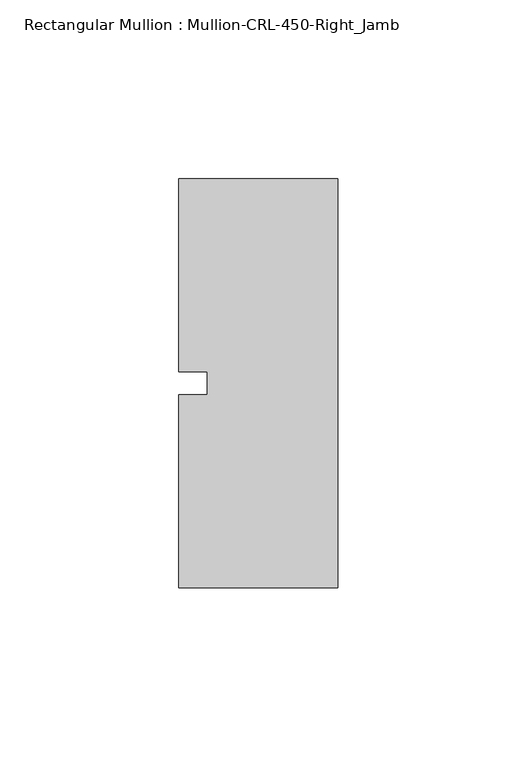
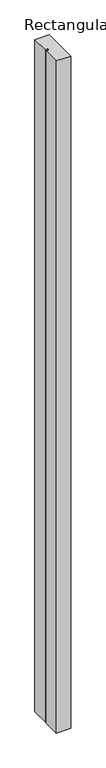
"""IFC4 building model written with IfcOpenShell, lengths in millimetres: member geometry, Rectangular Mullion : Mullion-CRL-450-Right_Jamb."""

from ifc_helpers import new_model, si_unit, frame, origin, place, context, project, spatial, polyline, outline, extrude, source, transform, mapped, element, save


def rectangular_mullion_mullion_crl_450_right_jamb_5b2d788b(model_context):
    return source(origin(), model_context, "Body", "SweptSolid", [
        extrude(outline(polyline([(-44.45, -57.15), (-44.45, -3.175), (-36.5125, -3.175), (-36.5125, 3.175), (-44.45, 3.175), (-44.45, 57.15), (0.0, 57.15), (0.0, -57.15), (-44.45, -57.15)])), frame((0.0, 0.0, -2193.925), z_axis=(0.0, 0.0, 1.0), x_axis=(1.0, 0.0, 0.0)), (0.0, 0.0, 1.0), 2193.925),
    ])


if __name__ == "__main__":
    model = new_model("IFC4")
    model_context = context("Model", 3, world=origin())
    ifc_project = project(units=[si_unit("LENGTHUNIT", "METRE", prefix="MILLI")], contexts=[model_context])
    site = spatial("IfcSite", under=ifc_project)
    building = spatial("IfcBuilding", under=site)
    placement = place(None, origin())
    rectangular_mullion_mullion_crl_450_right_jamb_shape = rectangular_mullion_mullion_crl_450_right_jamb_5b2d788b(model_context)
    element("IfcMember", 1, ObjectType="Rectangular Mullion : Mullion-CRL-450-Right_Jamb", at=placement, inside=building, context=model_context, shape_type="MappedRepresentation", body=[
        mapped(rectangular_mullion_mullion_crl_450_right_jamb_shape, transform((0.0, 0.0, 0.0), x_axis=(1.0, 0.0, 0.0), y_axis=(0.0, 1.0, 0.0), z_axis=(0.0, 0.0, 1.0))),
    ])
    save(model, "model.ifc")
